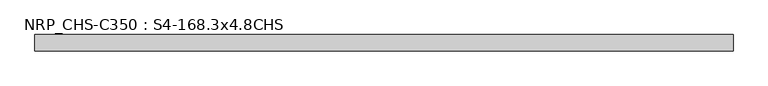
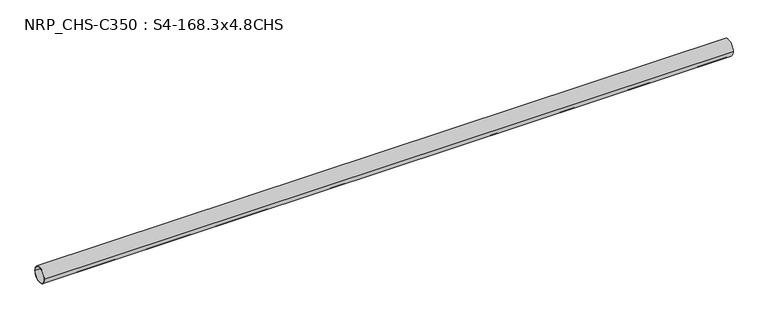
"""IFC4 building model written with IfcOpenShell, lengths in millimetres: beam geometry, NRP_CHS-C350 : S4-168.3x4.8CHS."""

from ifc_helpers import new_model, si_unit, point, frame, origin, origin_2d, place, context, project, spatial, circle_curve, trimmed, segment, composite_curve, outline, extrude, source, transform, mapped, element, save


def nrp_chs_c350_s4_168_3x4_8chs_b1faa6c0(model_context):
    return source(origin(), model_context, "Body", "SweptSolid", [
        extrude(outline(composite_curve([segment(trimmed(circle_curve(origin_2d(), 84.15), [point((-84.15, 0.0))], [point((84.15, 0.0))], False, "CARTESIAN"), True, "CONTINUOUS"), segment(trimmed(circle_curve(origin_2d(), 84.15), [point((84.15, 0.0))], [point((-84.15, 0.0))], False, "CARTESIAN"), True, "CONTINUOUS")], self_intersect=False), holes=[composite_curve([segment(trimmed(circle_curve(origin_2d(), 79.35), [point((79.35, 0.0))], [point((-79.35, 0.0))], True, "CARTESIAN"), True, "CONTINUOUS"), segment(trimmed(circle_curve(origin_2d(), 79.35), [point((-79.35, 0.0))], [point((79.35, 0.0))], True, "CARTESIAN"), True, "CONTINUOUS")], self_intersect=False)]), frame((-3585.05, 0.0, 0.0), z_axis=(1.0, 0.0, 0.0), x_axis=(0.0, 1.0, 0.0)), (0.0, 0.0, 1.0), 7189.1),
    ])


if __name__ == "__main__":
    model = new_model("IFC4")
    model_context = context("Model", 3, world=origin())
    ifc_project = project(units=[si_unit("LENGTHUNIT", "METRE", prefix="MILLI")], contexts=[model_context])
    site = spatial("IfcSite", under=ifc_project)
    building = spatial("IfcBuilding", under=site)
    placement = place(None, origin())
    nrp_chs_c350_s4_168_3x4_8chs_shape = nrp_chs_c350_s4_168_3x4_8chs_b1faa6c0(model_context)
    element("IfcBeam", 1, ObjectType="NRP_CHS-C350 : S4-168.3x4.8CHS", at=placement, inside=building, context=model_context, shape_type="MappedRepresentation", body=[
        mapped(nrp_chs_c350_s4_168_3x4_8chs_shape, transform((0.0, 0.0, 0.0), x_axis=(1.0, 0.0, 0.0), y_axis=(0.0, 1.0, 0.0), z_axis=(0.0, 0.0, 1.0))),
    ])
    save(model, "model.ifc")
